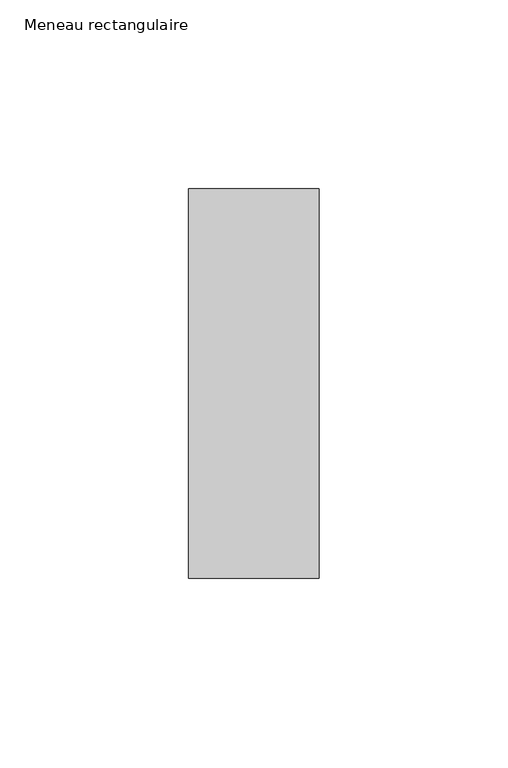
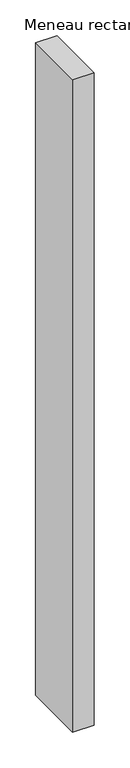
"""IFC4 building model written with IfcOpenShell, lengths in millimetres: member geometry, Meneau rectangulaire."""

from ifc_helpers import new_model, si_unit, frame, origin, place, context, project, spatial, polyline, outline, extrude, source, transform, mapped, element, save


def meneau_rectangulaire_8ede7c08(model_context):
    return source(origin(), model_context, "Body", "SweptSolid", [
        extrude(outline(polyline([(-34.5, 51.5), (0.0, 51.5), (0.0, -51.5), (-34.5, -51.5), (-34.5, 51.5)])), frame((0.0, 0.0, -1110.3749998), z_axis=(0.0, 0.0, 1.0), x_axis=(1.0, 0.0, 0.0)), (0.0, 0.0, 1.0), 1110.3749998),
    ])


if __name__ == "__main__":
    model = new_model("IFC4")
    model_context = context("Model", 3, world=origin())
    ifc_project = project(units=[si_unit("LENGTHUNIT", "METRE", prefix="MILLI")], contexts=[model_context])
    site = spatial("IfcSite", under=ifc_project)
    building = spatial("IfcBuilding", under=site)
    placement = place(None, origin())
    meneau_rectangulaire_shape = meneau_rectangulaire_8ede7c08(model_context)
    element("IfcMember", 1, ObjectType="Meneau rectangulaire", at=placement, inside=building, context=model_context, shape_type="MappedRepresentation", body=[
        mapped(meneau_rectangulaire_shape, transform((0.0, 0.0, 0.0), x_axis=(1.0, 0.0, 0.0), y_axis=(0.0, 1.0, 0.0), z_axis=(0.0, 0.0, 1.0))),
    ])
    save(model, "model.ifc")
